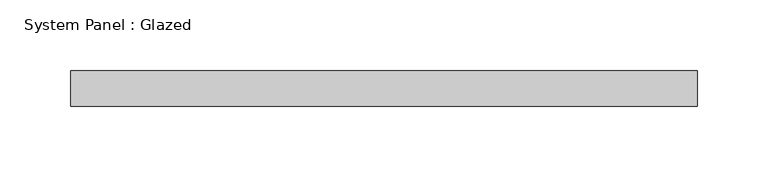
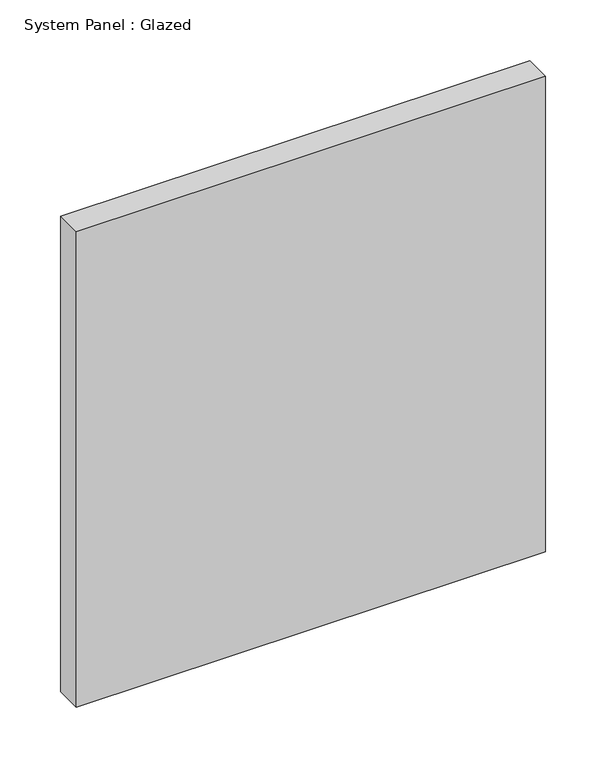
"""IFC4 building model written with IfcOpenShell, lengths in millimetres: plate geometry, System Panel : Glazed."""

from ifc_helpers import new_model, si_unit, origin, origin_with_axes, place, context, project, spatial, polyline, outline, extrude, source, transform, mapped, element, save


def system_panel_glazed_771b5116(model_context):
    return source(origin(), model_context, "Body", "SweptSolid", [
        extrude(outline(polyline([(222.25, -12.7), (-222.25, -12.7), (-222.25, 12.7), (222.25, 12.7), (222.25, -12.7)])), origin_with_axes(), (0.0, 0.0, 1.0), 476.25),
    ])


if __name__ == "__main__":
    model = new_model("IFC4")
    model_context = context("Model", 3, world=origin())
    ifc_project = project(units=[si_unit("LENGTHUNIT", "METRE", prefix="MILLI")], contexts=[model_context])
    site = spatial("IfcSite", under=ifc_project)
    building = spatial("IfcBuilding", under=site)
    placement = place(None, origin())
    system_panel_glazed_shape = system_panel_glazed_771b5116(model_context)
    element("IfcPlate", 1, ObjectType="System Panel : Glazed", at=placement, inside=building, context=model_context, shape_type="MappedRepresentation", body=[
        mapped(system_panel_glazed_shape, transform((0.0, 0.0, 0.0), x_axis=(1.0, 0.0, 0.0), y_axis=(0.0, 1.0, 0.0), z_axis=(0.0, 0.0, 1.0))),
    ])
    save(model, "model.ifc")
